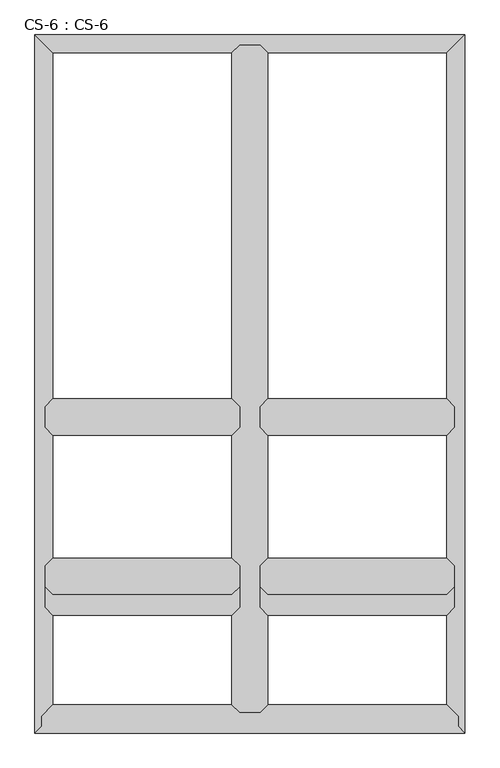
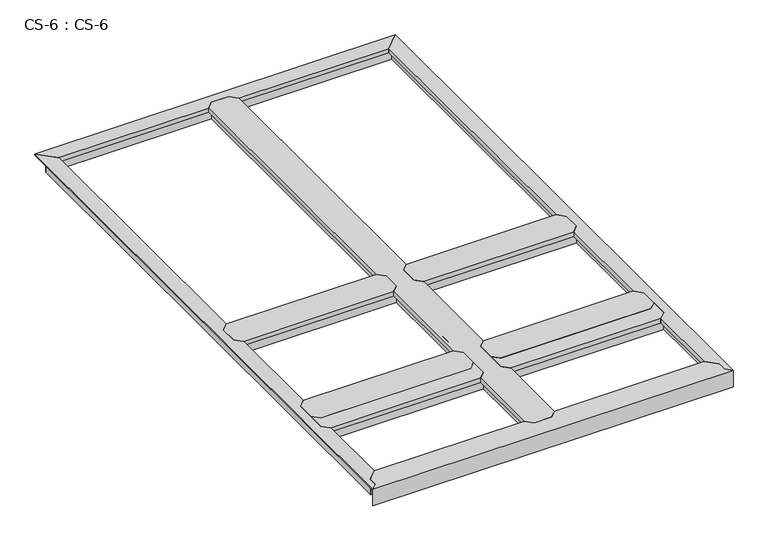
"""IFC4 building model written with IfcOpenShell, lengths in millimetres: proxy geometry, CS-6 : CS-6."""

from ifc_helpers import new_model, si_unit, origin, place, context, project, spatial, faceted_brep, source, transform, mapped, element, save


def cs_6_cs_6_e147d0d3(model_context):
    return source(origin(), model_context, "Body", "Brep", [
        faceted_brep([(1338.5802032, 975.3600584, 46.355), (1338.5802032, 975.3600584, 0.0), (1338.5802032, 982.3450584, 0.0), (1338.5802032, 982.3450584, 63.5), (1338.5802032, 1034.4150584, 63.5), (1338.5802032, 1034.4150584, 0.0), (1338.5802032, 1041.4000584, 0.0), (1338.5802032, 1041.4000584, 46.355), (1338.5802032, 1041.4000584, 66.675), (1338.5802032, 975.3600584, 66.675), (718.8208941, 1041.4000584, 46.355), (718.8208941, 1041.4000584, 0.0), (718.8208941, 1034.4150584, 0.0), (718.8208941, 1034.4150584, 63.5), (718.8208941, 982.3450584, 63.5), (718.8208941, 982.3450584, 0.0), (718.8208941, 975.3600584, 0.0), (718.8208941, 975.3600584, 46.355), (718.8208941, 975.3600584, 66.675), (718.8208941, 1041.4000584, 66.675), (743.4588941, 1066.0380584, 66.675), (1313.9422032, 1066.0380584, 66.675), (1313.9422032, 1066.0380584, 49.8094), (743.4588941, 1066.0380584, 49.8094), (1315.4662032, 1064.5140584, 49.8094), (741.9348941, 1064.5140584, 49.8094), (1315.4662032, 1064.5140584, 64.643), (741.9348941, 1064.5140584, 64.643), (1325.7532032, 1054.2270584, 64.643), (731.6478941, 1054.2270584, 64.643), (1325.7532032, 1054.2270584, 46.355), (731.6478941, 1054.2270584, 46.355), (1325.7532032, 962.5330584, 46.355), (731.6478941, 962.5330584, 46.355), (1325.7532032, 962.5330584, 64.643), (731.6478941, 962.5330584, 64.643), (1315.4662032, 952.2460584, 64.643), (741.9348941, 952.2460584, 64.643), (1315.4662032, 952.2460584, 49.8094), (741.9348941, 952.2460584, 49.8094), (1313.9422032, 950.7220584, 49.8094), (743.4588941, 950.7220584, 49.8094), (1313.9422032, 950.7220584, 66.675), (743.4588941, 950.7220584, 66.675)], [[[0, 1, 2, 3, 4, 5, 6, 7, 8, 9]], [[10, 11, 12, 13, 14, 15, 16, 17, 18, 19]], [[20, 21, 22, 23]], [[23, 22, 24, 25]], [[25, 24, 26, 27]], [[27, 26, 28, 29]], [[29, 28, 30, 31]], [[7, 10, 31, 30]], [[7, 6, 11, 10]], [[6, 5, 12, 11]], [[5, 4, 13, 12]], [[4, 3, 14, 13]], [[3, 2, 15, 14]], [[2, 1, 16, 15]], [[1, 0, 17, 16]], [[17, 0, 32, 33]], [[33, 32, 34, 35]], [[35, 34, 36, 37]], [[37, 36, 38, 39]], [[39, 38, 40, 41]], [[41, 40, 42, 43]], [[9, 8, 21, 20, 19, 18, 43, 42]], [[10, 19, 20, 23, 25, 27, 29, 31]], [[18, 17, 33, 35, 37, 39, 41, 43]], [[0, 9, 42, 40, 38, 36, 34, 32]], [[8, 7, 30, 28, 26, 24, 22, 21]]]),
        faceted_brep([(652.7808941, 975.3600584, 46.355), (652.7808941, 975.3600584, 0.0), (652.7808941, 982.3450584, 0.0), (652.7808941, 982.3450584, 63.5), (652.7808941, 1034.4150584, 63.5), (652.7808941, 1034.4150584, 0.0), (652.7808941, 1041.4000584, 0.0), (652.7808941, 1041.4000584, 46.355), (652.7808941, 1041.4000584, 66.675), (652.7808941, 975.3600584, 66.675), (33.02, 1041.4000584, 46.355), (33.02, 1041.4000584, 0.0), (33.02, 1034.4150584, 0.0), (33.02, 1034.4150584, 63.5), (33.02, 982.3450584, 63.5), (33.02, 982.3450584, 0.0), (33.02, 975.3600584, 0.0), (33.02, 975.3600584, 46.355), (33.02, 975.3600584, 66.675), (33.02, 1041.4000584, 66.675), (57.658, 1066.0380584, 66.675), (628.1428941, 1066.0380584, 66.675), (628.1428941, 1066.0380584, 49.8094), (57.658, 1066.0380584, 49.8094), (629.6668941, 1064.5140584, 49.8094), (56.134, 1064.5140584, 49.8094), (629.6668941, 1064.5140584, 64.643), (56.134, 1064.5140584, 64.643), (639.9538941, 1054.2270584, 64.643), (45.847, 1054.2270584, 64.643), (639.9538941, 1054.2270584, 46.355), (45.847, 1054.2270584, 46.355), (639.9538941, 962.5330584, 46.355), (45.847, 962.5330584, 46.355), (639.9538941, 962.5330584, 64.643), (45.847, 962.5330584, 64.643), (629.6668941, 952.2460584, 64.643), (56.134, 952.2460584, 64.643), (629.6668941, 952.2460584, 49.8094), (56.134, 952.2460584, 49.8094), (628.1428941, 950.7220584, 49.8094), (57.658, 950.7220584, 49.8094), (628.1428941, 950.7220584, 66.675), (57.658, 950.7220584, 66.675)], [[[0, 1, 2, 3, 4, 5, 6, 7, 8, 9]], [[10, 11, 12, 13, 14, 15, 16, 17, 18, 19]], [[20, 21, 22, 23]], [[23, 22, 24, 25]], [[25, 24, 26, 27]], [[27, 26, 28, 29]], [[29, 28, 30, 31]], [[7, 10, 31, 30]], [[7, 6, 11, 10]], [[6, 5, 12, 11]], [[5, 4, 13, 12]], [[4, 3, 14, 13]], [[3, 2, 15, 14]], [[2, 1, 16, 15]], [[1, 0, 17, 16]], [[17, 0, 32, 33]], [[33, 32, 34, 35]], [[35, 34, 36, 37]], [[37, 36, 38, 39]], [[39, 38, 40, 41]], [[41, 40, 42, 43]], [[9, 8, 21, 20, 19, 18, 43, 42]], [[10, 19, 20, 23, 25, 27, 29, 31]], [[18, 17, 33, 35, 37, 39, 41, 43]], [[0, 9, 42, 40, 38, 36, 34, 32]], [[8, 7, 30, 28, 26, 24, 22, 21]]]),
        faceted_brep([(1338.5802032, 467.3600292, 46.355), (1338.5802032, 467.3600292, 0.0), (1338.5802032, 474.3450292, 0.0), (1338.5802032, 474.3450292, 63.5), (1338.5802032, 526.4150292, 63.5), (1338.5802032, 526.4150292, 0.0), (1338.5802032, 533.4000292, 0.0), (1338.5802032, 533.4000292, 46.355), (1338.5802032, 533.4000292, 66.675), (1338.5802032, 467.3600292, 66.675), (718.8208941, 533.4000292, 46.355), (718.8208941, 533.4000292, 0.0), (718.8208941, 526.4150292, 0.0), (718.8208941, 526.4150292, 63.5), (718.8208941, 474.3450292, 63.5), (718.8208941, 474.3450292, 0.0), (718.8208941, 467.3600292, 0.0), (718.8208941, 467.3600292, 46.355), (718.8208941, 467.3600292, 66.675), (718.8208941, 533.4000292, 66.675), (743.4588941, 558.0380292, 66.675), (1313.9422032, 558.0380292, 66.675), (1313.9422032, 558.0380292, 49.8094), (743.4588941, 558.0380292, 49.8094), (1315.4662032, 556.5140292, 49.8094), (741.9348941, 556.5140292, 49.8094), (1315.4662032, 556.5140292, 64.643), (741.9348941, 556.5140292, 64.643), (1325.7532032, 546.2270292, 64.643), (731.6478941, 546.2270292, 64.643), (1325.7532032, 546.2270292, 46.355), (731.6478941, 546.2270292, 46.355), (1325.7532032, 454.5330292, 46.355), (731.6478941, 454.5330292, 46.355), (1325.7532032, 454.5330292, 64.643), (731.6478941, 454.5330292, 64.643), (1315.4662032, 444.2460292, 64.643), (741.9348941, 444.2460292, 64.643), (1315.4662032, 444.2460292, 49.8094), (741.9348941, 444.2460292, 49.8094), (1313.9422032, 442.7220292, 49.8094), (743.4588941, 442.7220292, 49.8094), (1313.9422032, 442.7220292, 66.675), (743.4588941, 442.7220292, 66.675)], [[[0, 1, 2, 3, 4, 5, 6, 7, 8, 9]], [[10, 11, 12, 13, 14, 15, 16, 17, 18, 19]], [[20, 21, 22, 23]], [[23, 22, 24, 25]], [[25, 24, 26, 27]], [[27, 26, 28, 29]], [[29, 28, 30, 31]], [[7, 10, 31, 30]], [[7, 6, 11, 10]], [[6, 5, 12, 11]], [[5, 4, 13, 12]], [[4, 3, 14, 13]], [[3, 2, 15, 14]], [[2, 1, 16, 15]], [[1, 0, 17, 16]], [[17, 0, 32, 33]], [[33, 32, 34, 35]], [[35, 34, 36, 37]], [[37, 36, 38, 39]], [[39, 38, 40, 41]], [[41, 40, 42, 43]], [[9, 8, 21, 20, 19, 18, 43, 42]], [[10, 19, 20, 23, 25, 27, 29, 31]], [[18, 17, 33, 35, 37, 39, 41, 43]], [[0, 9, 42, 40, 38, 36, 34, 32]], [[8, 7, 30, 28, 26, 24, 22, 21]]]),
        faceted_brep([(652.7808941, 467.3600292, 46.355), (652.7808941, 467.3600292, 0.0), (652.7808941, 474.3450292, 0.0), (652.7808941, 474.3450292, 63.5), (652.7808941, 526.4150292, 63.5), (652.7808941, 526.4150292, 0.0), (652.7808941, 533.4000292, 0.0), (652.7808941, 533.4000292, 46.355), (652.7808941, 533.4000292, 66.675), (652.7808941, 467.3600292, 66.675), (33.02, 533.4000292, 46.355), (33.02, 533.4000292, 0.0), (33.02, 526.4150292, 0.0), (33.02, 526.4150292, 63.5), (33.02, 474.3450292, 63.5), (33.02, 474.3450292, 0.0), (33.02, 467.3600292, 0.0), (33.02, 467.3600292, 46.355), (33.02, 467.3600292, 66.675), (33.02, 533.4000292, 66.675), (57.658, 558.0380292, 66.675), (628.1428941, 558.0380292, 66.675), (628.1428941, 558.0380292, 49.8094), (57.658, 558.0380292, 49.8094), (629.6668941, 556.5140292, 49.8094), (56.134, 556.5140292, 49.8094), (629.6668941, 556.5140292, 64.643), (56.134, 556.5140292, 64.643), (639.9538941, 546.2270292, 64.643), (45.847, 546.2270292, 64.643), (639.9538941, 546.2270292, 46.355), (45.847, 546.2270292, 46.355), (639.9538941, 454.5330292, 46.355), (45.847, 454.5330292, 46.355), (639.9538941, 454.5330292, 64.643), (45.847, 454.5330292, 64.643), (629.6668941, 444.2460292, 64.643), (56.134, 444.2460292, 64.643), (629.6668941, 444.2460292, 49.8094), (56.134, 444.2460292, 49.8094), (628.1428941, 442.7220292, 49.8094), (57.658, 442.7220292, 49.8094), (628.1428941, 442.7220292, 66.675), (57.658, 442.7220292, 66.675)], [[[0, 1, 2, 3, 4, 5, 6, 7, 8, 9]], [[10, 11, 12, 13, 14, 15, 16, 17, 18, 19]], [[20, 21, 22, 23]], [[23, 22, 24, 25]], [[25, 24, 26, 27]], [[27, 26, 28, 29]], [[29, 28, 30, 31]], [[7, 10, 31, 30]], [[7, 6, 11, 10]], [[6, 5, 12, 11]], [[5, 4, 13, 12]], [[4, 3, 14, 13]], [[3, 2, 15, 14]], [[2, 1, 16, 15]], [[1, 0, 17, 16]], [[17, 0, 32, 33]], [[33, 32, 34, 35]], [[35, 34, 36, 37]], [[37, 36, 38, 39]], [[39, 38, 40, 41]], [[41, 40, 42, 43]], [[9, 8, 21, 20, 19, 18, 43, 42]], [[10, 19, 20, 23, 25, 27, 29, 31]], [[18, 17, 33, 35, 37, 39, 41, 43]], [[0, 9, 42, 40, 38, 36, 34, 32]], [[8, 7, 30, 28, 26, 24, 22, 21]]]),
        faceted_brep([(1338.5802032, 401.3200292, 46.355), (1338.5802032, 401.3200292, 0.0), (1338.5802032, 408.3050292, 0.0), (1338.5802032, 408.3050292, 63.5), (1338.5802032, 460.3750292, 63.5), (1338.5802032, 460.3750292, 0.0), (1338.5802032, 467.3600292, 0.0), (1338.5802032, 467.3600292, 46.355), (1338.5802032, 467.3600292, 66.675), (1338.5802032, 401.3200292, 66.675), (718.8208941, 467.3600292, 46.355), (718.8208941, 467.3600292, 0.0), (718.8208941, 460.3750292, 0.0), (718.8208941, 460.3750292, 63.5), (718.8208941, 408.3050292, 63.5), (718.8208941, 408.3050292, 0.0), (718.8208941, 401.3200292, 0.0), (718.8208941, 401.3200292, 46.355), (718.8208941, 401.3200292, 66.675), (718.8208941, 467.3600292, 66.675), (743.4588941, 491.9980292, 66.675), (1313.9422032, 491.9980292, 66.675), (1313.9422032, 491.9980292, 49.8094), (743.4588941, 491.9980292, 49.8094), (1315.4662032, 490.4740292, 49.8094), (741.9348941, 490.4740292, 49.8094), (1315.4662032, 490.4740292, 64.643), (741.9348941, 490.4740292, 64.643), (1325.7532032, 480.1870292, 64.643), (731.6478941, 480.1870292, 64.643), (1325.7532032, 480.1870292, 46.355), (731.6478941, 480.1870292, 46.355), (1325.7532032, 388.4930292, 46.355), (731.6478941, 388.4930292, 46.355), (1325.7532032, 388.4930292, 64.643), (731.6478941, 388.4930292, 64.643), (1315.4662032, 378.2060292, 64.643), (741.9348941, 378.2060292, 64.643), (1315.4662032, 378.2060292, 49.8094), (741.9348941, 378.2060292, 49.8094), (1313.9422032, 376.6820292, 49.8094), (743.4588941, 376.6820292, 49.8094), (1313.9422032, 376.6820292, 66.675), (743.4588941, 376.6820292, 66.675)], [[[0, 1, 2, 3, 4, 5, 6, 7, 8, 9]], [[10, 11, 12, 13, 14, 15, 16, 17, 18, 19]], [[20, 21, 22, 23]], [[23, 22, 24, 25]], [[25, 24, 26, 27]], [[27, 26, 28, 29]], [[29, 28, 30, 31]], [[7, 10, 31, 30]], [[7, 6, 11, 10]], [[6, 5, 12, 11]], [[5, 4, 13, 12]], [[4, 3, 14, 13]], [[3, 2, 15, 14]], [[2, 1, 16, 15]], [[1, 0, 17, 16]], [[17, 0, 32, 33]], [[33, 32, 34, 35]], [[35, 34, 36, 37]], [[37, 36, 38, 39]], [[39, 38, 40, 41]], [[41, 40, 42, 43]], [[9, 8, 21, 20, 19, 18, 43, 42]], [[10, 19, 20, 23, 25, 27, 29, 31]], [[18, 17, 33, 35, 37, 39, 41, 43]], [[0, 9, 42, 40, 38, 36, 34, 32]], [[8, 7, 30, 28, 26, 24, 22, 21]]]),
        faceted_brep([(652.7808941, 401.3200292, 46.355), (652.7808941, 401.3200292, 0.0), (652.7808941, 408.3050292, 0.0), (652.7808941, 408.3050292, 63.5), (652.7808941, 460.3750292, 63.5), (652.7808941, 460.3750292, 0.0), (652.7808941, 467.3600292, 0.0), (652.7808941, 467.3600292, 46.355), (652.7808941, 467.3600292, 66.675), (652.7808941, 401.3200292, 66.675), (33.02, 467.3600292, 46.355), (33.02, 467.3600292, 0.0), (33.02, 460.3750292, 0.0), (33.02, 460.3750292, 63.5), (33.02, 408.3050292, 63.5), (33.02, 408.3050292, 0.0), (33.02, 401.3200292, 0.0), (33.02, 401.3200292, 46.355), (33.02, 401.3200292, 66.675), (33.02, 467.3600292, 66.675), (57.658, 491.9980292, 66.675), (628.1428941, 491.9980292, 66.675), (628.1428941, 491.9980292, 49.8094), (57.658, 491.9980292, 49.8094), (629.6668941, 490.4740292, 49.8094), (56.134, 490.4740292, 49.8094), (629.6668941, 490.4740292, 64.643), (56.134, 490.4740292, 64.643), (639.9538941, 480.1870292, 64.643), (45.847, 480.1870292, 64.643), (639.9538941, 480.1870292, 46.355), (45.847, 480.1870292, 46.355), (639.9538941, 388.4930292, 46.355), (45.847, 388.4930292, 46.355), (639.9538941, 388.4930292, 64.643), (45.847, 388.4930292, 64.643), (629.6668941, 378.2060292, 64.643), (56.134, 378.2060292, 64.643), (629.6668941, 378.2060292, 49.8094), (56.134, 378.2060292, 49.8094), (628.1428941, 376.6820292, 49.8094), (57.658, 376.6820292, 49.8094), (628.1428941, 376.6820292, 66.675), (57.658, 376.6820292, 66.675)], [[[0, 1, 2, 3, 4, 5, 6, 7, 8, 9]], [[10, 11, 12, 13, 14, 15, 16, 17, 18, 19]], [[20, 21, 22, 23]], [[23, 22, 24, 25]], [[25, 24, 26, 27]], [[27, 26, 28, 29]], [[29, 28, 30, 31]], [[7, 10, 31, 30]], [[7, 6, 11, 10]], [[6, 5, 12, 11]], [[5, 4, 13, 12]], [[4, 3, 14, 13]], [[3, 2, 15, 14]], [[2, 1, 16, 15]], [[1, 0, 17, 16]], [[17, 0, 32, 33]], [[33, 32, 34, 35]], [[35, 34, 36, 37]], [[37, 36, 38, 39]], [[39, 38, 40, 41]], [[41, 40, 42, 43]], [[9, 8, 21, 20, 19, 18, 43, 42]], [[10, 19, 20, 23, 25, 27, 29, 31]], [[18, 17, 33, 35, 37, 39, 41, 43]], [[0, 9, 42, 40, 38, 36, 34, 32]], [[8, 7, 30, 28, 26, 24, 22, 21]]]),
        faceted_brep([(718.8208941, 2194.5600292, 46.355), (718.8208941, 2194.5600292, 0.0), (711.8358941, 2194.5600292, 0.0), (711.8358941, 2194.5600292, 63.5), (659.7658941, 2194.5600292, 63.5), (659.7658941, 2194.5600292, 0.0), (652.7808941, 2194.5600292, 0.0), (652.7808941, 2194.5600292, 46.355), (652.7808941, 2194.5600292, 66.675), (718.8208941, 2194.5600292, 66.675), (652.7808941, 66.04, 46.355), (652.7808941, 66.04, 0.0), (659.7658941, 66.04, 0.0), (659.7658941, 66.04, 63.5), (711.8358941, 66.04, 63.5), (711.8358941, 66.04, 0.0), (718.8208941, 66.04, 0.0), (718.8208941, 66.04, 46.355), (718.8208941, 66.04, 66.675), (652.7808941, 66.04, 66.675), (628.1428941, 90.678, 49.8094), (628.1428941, 90.678, 66.675), (628.1428941, 376.6820292, 66.675), (628.1428941, 376.6820292, 49.8094), (628.1428941, 2169.9220292, 66.675), (628.1428941, 2169.9220292, 49.8094), (628.1428941, 1066.0380584, 49.8094), (628.1428941, 1066.0380584, 66.675), (628.1428941, 558.0380292, 49.8094), (628.1428941, 558.0380292, 66.675), (628.1428941, 950.7220584, 66.675), (628.1428941, 950.7220584, 49.8094), (629.6668941, 89.154, 49.8094), (629.6668941, 378.2060292, 49.8094), (629.6668941, 2171.4460292, 49.8094), (629.6668941, 1064.5140584, 49.8094), (629.6668941, 556.5140292, 49.8094), (629.6668941, 952.2460584, 49.8094), (629.6668941, 89.154, 64.643), (629.6668941, 378.2060292, 64.643), (629.6668941, 2171.4460292, 64.643), (629.6668941, 1064.5140584, 64.643), (629.6668941, 556.5140292, 64.643), (629.6668941, 952.2460584, 64.643), (639.9538941, 78.867, 64.643), (639.9538941, 388.4930292, 64.643), (639.9538941, 2181.7330292, 64.643), (639.9538941, 1054.2270584, 64.643), (639.9538941, 546.2270292, 64.643), (639.9538941, 962.5330584, 64.643), (639.9538941, 78.867, 46.355), (639.9538941, 388.4930292, 46.355), (639.9538941, 2181.7330292, 46.355), (639.9538941, 1054.2270584, 46.355), (639.9538941, 546.2270292, 46.355), (639.9538941, 962.5330584, 46.355), (652.7808941, 401.3200292, 46.355), (652.7808941, 1041.4000584, 46.355), (652.7808941, 533.4000292, 46.355), (652.7808941, 975.3600584, 46.355), (652.7808941, 401.3200292, 66.675), (652.7808941, 533.4000292, 66.675), (652.7808941, 975.3600584, 66.675), (652.7808941, 1041.4000584, 66.675), (718.8208941, 1041.4000584, 46.355), (718.8208941, 1041.4000584, 66.675), (718.8208941, 975.3600584, 66.675), (718.8208941, 975.3600584, 46.355), (718.8208941, 533.4000292, 46.355), (718.8208941, 533.4000292, 66.675), (718.8208941, 401.3200292, 66.675), (718.8208941, 401.3200292, 46.355), (731.6478941, 78.867, 46.355), (731.6478941, 388.4930292, 46.355), (731.6478941, 2181.7330292, 46.355), (731.6478941, 1054.2270584, 46.355), (731.6478941, 546.2270292, 46.355), (731.6478941, 962.5330584, 46.355), (731.6478941, 78.867, 64.643), (731.6478941, 388.4930292, 64.643), (731.6478941, 2181.7330292, 64.643), (731.6478941, 1054.2270584, 64.643), (731.6478941, 546.2270292, 64.643), (731.6478941, 962.5330584, 64.643), (741.9348941, 89.154, 64.643), (741.9348941, 378.2060292, 64.643), (741.9348941, 2171.4460292, 64.643), (741.9348941, 1064.5140584, 64.643), (741.9348941, 556.5140292, 64.643), (741.9348941, 952.2460584, 64.643), (741.9348941, 89.154, 49.8094), (741.9348941, 378.2060292, 49.8094), (741.9348941, 2171.4460292, 49.8094), (741.9348941, 1064.5140584, 49.8094), (741.9348941, 556.5140292, 49.8094), (741.9348941, 952.2460584, 49.8094), (743.4588941, 90.678, 49.8094), (743.4588941, 376.6820292, 49.8094), (743.4588941, 2169.9220292, 49.8094), (743.4588941, 1066.0380584, 49.8094), (743.4588941, 558.0380292, 49.8094), (743.4588941, 950.7220584, 49.8094), (743.4588941, 90.678, 66.675), (743.4588941, 376.6820292, 66.675), (743.4588941, 2169.9220292, 66.675), (743.4588941, 1066.0380584, 66.675), (743.4588941, 558.0380292, 66.675), (743.4588941, 950.7220584, 66.675)], [[[0, 1, 2, 3, 4, 5, 6, 7, 8, 9]], [[10, 11, 12, 13, 14, 15, 16, 17, 18, 19]], [[20, 21, 22, 23]], [[24, 25, 26, 27]], [[28, 29, 30, 31]], [[32, 20, 23, 33]], [[25, 34, 35, 26]], [[36, 28, 31, 37]], [[38, 32, 33, 39]], [[34, 40, 41, 35]], [[42, 36, 37, 43]], [[44, 38, 39, 45]], [[40, 46, 47, 41]], [[48, 42, 43, 49]], [[50, 44, 45, 51]], [[46, 52, 53, 47]], [[54, 48, 49, 55]], [[10, 50, 51, 56]], [[52, 7, 57, 53]], [[58, 54, 55, 59]], [[7, 6, 11, 10, 56, 60, 61, 58, 59, 62, 63, 57]], [[6, 5, 12, 11]], [[5, 4, 13, 12]], [[4, 3, 14, 13]], [[3, 2, 15, 14]], [[2, 1, 16, 15]], [[1, 0, 64, 65, 66, 67, 68, 69, 70, 71, 17, 16]], [[72, 17, 71, 73]], [[0, 74, 75, 64]], [[76, 68, 67, 77]], [[78, 72, 73, 79]], [[74, 80, 81, 75]], [[82, 76, 77, 83]], [[84, 78, 79, 85]], [[80, 86, 87, 81]], [[88, 82, 83, 89]], [[90, 84, 85, 91]], [[86, 92, 93, 87]], [[94, 88, 89, 95]], [[96, 90, 91, 97]], [[92, 98, 99, 93]], [[100, 94, 95, 101]], [[102, 96, 97, 103]], [[98, 104, 105, 99]], [[106, 100, 101, 107]], [[9, 8, 24, 27, 63, 62, 30, 29, 61, 60, 22, 21, 19, 18, 102, 103, 70, 69, 106, 107, 66, 65, 105, 104]], [[10, 19, 21, 20, 32, 38, 44, 50]], [[18, 17, 72, 78, 84, 90, 96, 102]], [[0, 9, 104, 98, 92, 86, 80, 74]], [[8, 7, 52, 46, 40, 34, 25, 24]], [[60, 56, 51, 45, 39, 33, 23, 22]], [[58, 61, 29, 28, 36, 42, 48, 54]], [[62, 59, 55, 49, 43, 37, 31, 30]], [[57, 63, 27, 26, 35, 41, 47, 53]], [[71, 70, 103, 97, 91, 85, 79, 73]], [[69, 68, 76, 82, 88, 94, 100, 106]], [[65, 64, 75, 81, 87, 93, 99, 105]], [[67, 66, 107, 101, 95, 89, 83, 77]]]),
        faceted_brep([(1371.6002032, 0.0, 0.0), (0.0, 0.0, 0.0), (6.985, 6.985, 0.0), (1364.6152032, 6.985, 0.0), (1364.6152032, 6.985, 63.5), (6.985, 6.985, 63.5), (1350.0102032, 21.59, 63.5), (21.59, 21.59, 63.5), (21.59, 53.34, 63.5), (27.1106122, 59.055, 63.5), (1344.489591, 59.055, 63.5), (1350.0102032, 53.34, 63.5), (1344.489591, 59.055, 0.0), (27.1106122, 59.055, 0.0), (33.8580272, 66.04, 0.0), (1337.742176, 66.04, 0.0), (1337.742176, 66.04, 46.355), (33.8580272, 66.04, 46.355), (652.7808941, 66.04, 46.355), (652.7808941, 66.04, 66.675), (718.8208941, 66.04, 66.675), (718.8208941, 66.04, 46.355), (1325.3514685, 78.867, 46.355), (731.6478941, 78.867, 46.355), (46.2487347, 78.867, 46.355), (639.9538941, 78.867, 46.355), (1325.3514685, 78.867, 63.5), (731.6478941, 78.867, 63.5), (46.2487347, 78.867, 63.5), (639.9538941, 78.867, 63.5), (1315.4143665, 89.154, 63.5), (741.9348941, 89.154, 63.5), (56.1858367, 89.154, 63.5), (629.6668941, 89.154, 63.5), (1315.4143665, 89.154, 49.8094), (741.9348941, 89.154, 49.8094), (56.1858367, 89.154, 49.8094), (629.6668941, 89.154, 49.8094), (1313.9422032, 90.678, 49.8094), (743.4588941, 90.678, 49.8094), (57.658, 90.678, 49.8094), (628.1428941, 90.678, 49.8094), (1313.9422032, 90.678, 66.675), (743.4588941, 90.678, 66.675), (57.658, 90.678, 66.675), (628.1428941, 90.678, 66.675), (0.0, 0.0, 66.675), (1371.6002032, 0.0, 66.675), (1350.0102032, 21.59, 66.675), (1350.0102032, 53.34, 66.675), (21.59, 53.34, 66.675), (21.59, 21.59, 66.675)], [[[0, 1, 2, 3]], [[4, 3, 2, 5]], [[6, 4, 5, 7, 8, 9, 10, 11]], [[12, 10, 9, 13]], [[14, 15, 12, 13]], [[16, 15, 14, 17, 18, 19, 20, 21]], [[22, 16, 21, 23]], [[17, 24, 25, 18]], [[26, 22, 23, 27]], [[24, 28, 29, 25]], [[30, 26, 27, 31]], [[28, 32, 33, 29]], [[34, 30, 31, 35]], [[32, 36, 37, 33]], [[38, 34, 35, 39]], [[36, 40, 41, 37]], [[42, 38, 39, 43]], [[40, 44, 45, 41]], [[46, 47, 48, 49, 42, 43, 20, 19, 45, 44, 50, 51]], [[1, 0, 47, 46]], [[6, 48, 47, 0, 3, 4]], [[49, 11, 10, 12, 15, 16, 22, 26, 30, 34, 38, 42]], [[48, 6, 11, 49]], [[7, 51, 50, 8]], [[8, 50, 44, 40, 36, 32, 28, 24, 17, 14, 13, 9]], [[51, 7, 5, 2, 1, 46]], [[19, 18, 25, 29, 33, 37, 41, 45]], [[21, 20, 43, 39, 35, 31, 27, 23]]]),
        faceted_brep([(1371.6002032, 0.0, 66.675), (1371.6002032, 2227.5800292, 66.675), (1313.9422032, 2169.9220292, 66.675), (1313.9422032, 1066.0380584, 66.675), (1338.5802032, 1041.4000584, 66.675), (1338.5802032, 975.3600584, 66.675), (1313.9422032, 950.7220584, 66.675), (1313.9422032, 558.0380292, 66.675), (1338.5802032, 533.4000292, 66.675), (1338.5802032, 401.3200292, 66.675), (1313.9422032, 376.6820292, 66.675), (1313.9422032, 90.678, 66.675), (1350.0102032, 53.34, 66.675), (1350.0102032, 21.59, 66.675), (1371.6002032, 0.0, 63.5), (1371.6002032, 2227.5800292, 63.5), (1350.0102032, 21.59, 63.5), (1350.0102032, 53.34, 63.5), (1345.5652032, 57.9415141, 63.5), (1345.5652032, 2201.5450292, 63.5), (1345.5652032, 2201.5450292, 0.0), (1345.5652032, 57.9415141, 0.0), (1338.5802032, 65.1724648, 0.0), (1338.5802032, 2194.5600292, 0.0), (1338.5802032, 2194.5600292, 46.355), (1338.5802032, 65.1724648, 46.355), (1338.5802032, 401.3200292, 46.355), (1338.5802032, 533.4000292, 46.355), (1338.5802032, 975.3600584, 46.355), (1338.5802032, 1041.4000584, 46.355), (1325.7532032, 2181.7330292, 46.355), (1325.7532032, 1054.2270584, 46.355), (1325.7532032, 78.4511197, 46.355), (1325.7532032, 388.4930292, 46.355), (1325.7532032, 962.5330584, 46.355), (1325.7532032, 546.2270292, 46.355), (1325.7532032, 2181.7330292, 64.643), (1325.7532032, 1054.2270584, 64.643), (1325.7532032, 78.4511197, 64.643), (1325.7532032, 388.4930292, 64.643), (1325.7532032, 962.5330584, 64.643), (1325.7532032, 546.2270292, 64.643), (1315.4662032, 2171.4460292, 64.643), (1315.4662032, 1064.5140584, 64.643), (1315.4662032, 89.100338, 64.643), (1315.4662032, 378.2060292, 64.643), (1315.4662032, 952.2460584, 64.643), (1315.4662032, 556.5140292, 64.643), (1315.4662032, 2171.4460292, 49.8094), (1315.4662032, 1064.5140584, 49.8094), (1315.4662032, 89.100338, 49.8094), (1315.4662032, 378.2060292, 49.8094), (1315.4662032, 952.2460584, 49.8094), (1315.4662032, 556.5140292, 49.8094), (1313.9422032, 2169.9220292, 49.8094), (1313.9422032, 1066.0380584, 49.8094), (1313.9422032, 90.678, 49.8094), (1313.9422032, 376.6820292, 49.8094), (1313.9422032, 950.7220584, 49.8094), (1313.9422032, 558.0380292, 49.8094)], [[[0, 1, 2, 3, 4, 5, 6, 7, 8, 9, 10, 11, 12, 13]], [[1, 0, 14, 15]], [[15, 14, 16, 17, 18, 19]], [[20, 19, 18, 21]], [[22, 23, 20, 21]], [[24, 23, 22, 25, 26, 9, 8, 27, 28, 5, 4, 29]], [[30, 24, 29, 31]], [[25, 32, 33, 26]], [[34, 28, 27, 35]], [[36, 30, 31, 37]], [[32, 38, 39, 33]], [[40, 34, 35, 41]], [[42, 36, 37, 43]], [[38, 44, 45, 39]], [[46, 40, 41, 47]], [[48, 42, 43, 49]], [[44, 50, 51, 45]], [[52, 46, 47, 53]], [[54, 48, 49, 55]], [[50, 56, 57, 51]], [[58, 52, 53, 59]], [[2, 54, 55, 3]], [[56, 11, 10, 57]], [[6, 58, 59, 7]], [[2, 1, 15, 19, 20, 23, 24, 30, 36, 42, 48, 54]], [[16, 13, 12, 17]], [[17, 12, 11, 56, 50, 44, 38, 32, 25, 22, 21, 18]], [[13, 16, 14, 0]], [[5, 28, 34, 40, 46, 52, 58, 6]], [[29, 4, 3, 55, 49, 43, 37, 31]], [[27, 8, 7, 59, 53, 47, 41, 35]], [[9, 26, 33, 39, 45, 51, 57, 10]]]),
        faceted_brep([(1371.6002032, 2227.5800292, 66.675), (0.0, 2227.5800292, 66.675), (57.658, 2169.9220292, 66.675), (628.1428941, 2169.9220292, 66.675), (652.7808941, 2194.5600292, 66.675), (718.8208941, 2194.5600292, 66.675), (743.4588941, 2169.9220292, 66.675), (1313.9422032, 2169.9220292, 66.675), (1371.6002032, 2227.5800292, 63.5), (0.0, 2227.5800292, 63.5), (1345.5652032, 2201.5450292, 63.5), (26.035, 2201.5450292, 63.5), (26.035, 2201.5450292, 0.0), (1345.5652032, 2201.5450292, 0.0), (1338.5802032, 2194.5600292, 0.0), (33.02, 2194.5600292, 0.0), (33.02, 2194.5600292, 46.355), (1338.5802032, 2194.5600292, 46.355), (718.8208941, 2194.5600292, 46.355), (652.7808941, 2194.5600292, 46.355), (45.847, 2181.7330292, 46.355), (639.9538941, 2181.7330292, 46.355), (1325.7532032, 2181.7330292, 46.355), (731.6478941, 2181.7330292, 46.355), (45.847, 2181.7330292, 64.643), (639.9538941, 2181.7330292, 64.643), (1325.7532032, 2181.7330292, 64.643), (731.6478941, 2181.7330292, 64.643), (56.134, 2171.4460292, 64.643), (629.6668941, 2171.4460292, 64.643), (1315.4662032, 2171.4460292, 64.643), (741.9348941, 2171.4460292, 64.643), (56.134, 2171.4460292, 49.8094), (629.6668941, 2171.4460292, 49.8094), (1315.4662032, 2171.4460292, 49.8094), (741.9348941, 2171.4460292, 49.8094), (57.658, 2169.9220292, 49.8094), (628.1428941, 2169.9220292, 49.8094), (1313.9422032, 2169.9220292, 49.8094), (743.4588941, 2169.9220292, 49.8094)], [[[0, 1, 2, 3, 4, 5, 6, 7]], [[1, 0, 8, 9]], [[9, 8, 10, 11]], [[12, 11, 10, 13]], [[14, 15, 12, 13]], [[16, 15, 14, 17, 18, 5, 4, 19]], [[20, 16, 19, 21]], [[17, 22, 23, 18]], [[24, 20, 21, 25]], [[22, 26, 27, 23]], [[28, 24, 25, 29]], [[26, 30, 31, 27]], [[32, 28, 29, 33]], [[30, 34, 35, 31]], [[36, 32, 33, 37]], [[34, 38, 39, 35]], [[2, 36, 37, 3]], [[38, 7, 6, 39]], [[2, 1, 9, 11, 12, 15, 16, 20, 24, 28, 32, 36]], [[0, 7, 38, 34, 30, 26, 22, 17, 14, 13, 10, 8]], [[5, 18, 23, 27, 31, 35, 39, 6]], [[19, 4, 3, 37, 33, 29, 25, 21]]]),
        faceted_brep([(0.0, 2227.5800292, 66.675), (0.0, 0.0, 66.675), (21.59, 21.59, 66.675), (21.59, 53.34, 66.675), (57.658, 90.678, 66.675), (57.658, 376.6820292, 66.675), (33.02, 401.3200292, 66.675), (33.02, 533.4000292, 66.675), (57.658, 558.0380292, 66.675), (57.658, 950.7220584, 66.675), (33.02, 975.3600584, 66.675), (33.02, 1041.4000584, 66.675), (57.658, 1066.0380584, 66.675), (57.658, 2169.9220292, 66.675), (0.0, 2227.5800292, 63.5), (0.0, 0.0, 63.5), (26.035, 2201.5450292, 63.5), (26.035, 57.9415141, 63.5), (21.59, 53.34, 63.5), (21.59, 21.59, 63.5), (26.035, 57.9415141, 0.0), (26.035, 2201.5450292, 0.0), (33.02, 2194.5600292, 0.0), (33.02, 65.1724648, 0.0), (33.02, 65.1724648, 46.355), (33.02, 2194.5600292, 46.355), (33.02, 1041.4000584, 46.355), (33.02, 975.3600584, 46.355), (33.02, 533.4000292, 46.355), (33.02, 401.3200292, 46.355), (45.847, 78.4511197, 46.355), (45.847, 388.4930292, 46.355), (45.847, 2181.7330292, 46.355), (45.847, 1054.2270584, 46.355), (45.847, 546.2270292, 46.355), (45.847, 962.5330584, 46.355), (45.847, 78.4511197, 64.643), (45.847, 388.4930292, 64.643), (45.847, 2181.7330292, 64.643), (45.847, 1054.2270584, 64.643), (45.847, 546.2270292, 64.643), (45.847, 962.5330584, 64.643), (56.134, 89.100338, 64.643), (56.134, 378.2060292, 64.643), (56.134, 2171.4460292, 64.643), (56.134, 1064.5140584, 64.643), (56.134, 556.5140292, 64.643), (56.134, 952.2460584, 64.643), (56.134, 89.100338, 49.8094), (56.134, 378.2060292, 49.8094), (56.134, 2171.4460292, 49.8094), (56.134, 1064.5140584, 49.8094), (56.134, 556.5140292, 49.8094), (56.134, 952.2460584, 49.8094), (57.658, 90.678, 49.8094), (57.658, 376.6820292, 49.8094), (57.658, 2169.9220292, 49.8094), (57.658, 1066.0380584, 49.8094), (57.658, 558.0380292, 49.8094), (57.658, 950.7220584, 49.8094)], [[[0, 1, 2, 3, 4, 5, 6, 7, 8, 9, 10, 11, 12, 13]], [[1, 0, 14, 15]], [[15, 14, 16, 17, 18, 19]], [[20, 17, 16, 21]], [[22, 23, 20, 21]], [[24, 23, 22, 25, 26, 11, 10, 27, 28, 7, 6, 29]], [[30, 24, 29, 31]], [[25, 32, 33, 26]], [[34, 28, 27, 35]], [[36, 30, 31, 37]], [[32, 38, 39, 33]], [[40, 34, 35, 41]], [[42, 36, 37, 43]], [[38, 44, 45, 39]], [[46, 40, 41, 47]], [[48, 42, 43, 49]], [[44, 50, 51, 45]], [[52, 46, 47, 53]], [[54, 48, 49, 55]], [[50, 56, 57, 51]], [[58, 52, 53, 59]], [[4, 54, 55, 5]], [[56, 13, 12, 57]], [[8, 58, 59, 9]], [[19, 2, 1, 15]], [[3, 18, 17, 20, 23, 24, 30, 36, 42, 48, 54, 4]], [[2, 19, 18, 3]], [[0, 13, 56, 50, 44, 38, 32, 25, 22, 21, 16, 14]], [[29, 6, 5, 55, 49, 43, 37, 31]], [[7, 28, 34, 40, 46, 52, 58, 8]], [[11, 26, 33, 39, 45, 51, 57, 12]], [[27, 10, 9, 59, 53, 47, 41, 35]]]),
    ])


if __name__ == "__main__":
    model = new_model("IFC4")
    model_context = context("Model", 3, world=origin())
    ifc_project = project(units=[si_unit("LENGTHUNIT", "METRE", prefix="MILLI")], contexts=[model_context])
    site = spatial("IfcSite", under=ifc_project)
    building = spatial("IfcBuilding", under=site)
    placement = place(None, origin())
    cs_6_cs_6_shape = cs_6_cs_6_e147d0d3(model_context)
    element("IfcBuildingElementProxy", 1, Name="CS-6 : CS-6", ObjectType="CS-6 : CS-6", at=placement, inside=building, context=model_context, shape_type="MappedRepresentation", body=[
        mapped(cs_6_cs_6_shape, transform((0.0, 0.0, 0.0), x_axis=(1.0, 0.0, 0.0), y_axis=(0.0, 1.0, 0.0), z_axis=(0.0, 0.0, 1.0))),
    ])
    save(model, "model.ifc")
